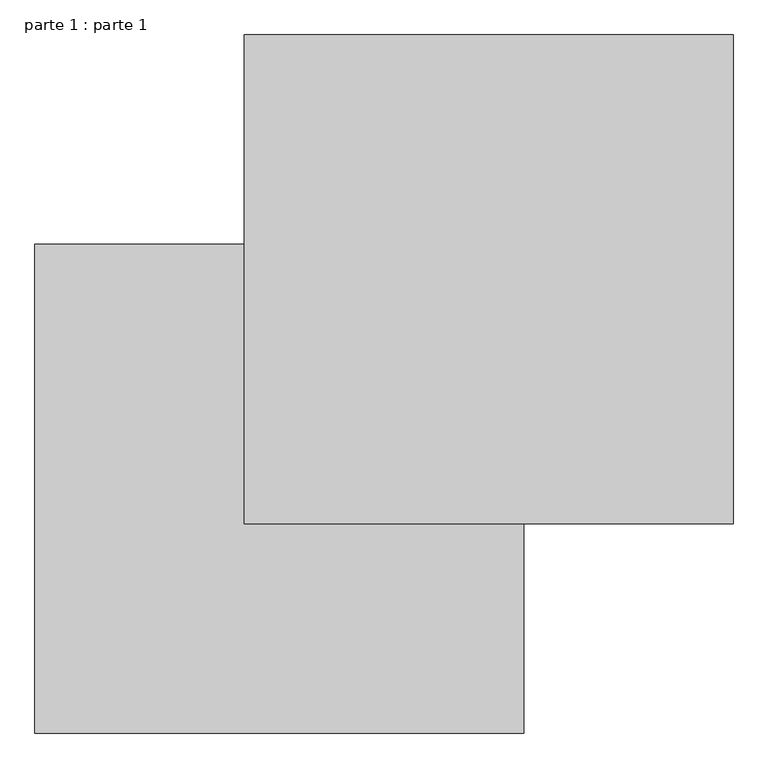
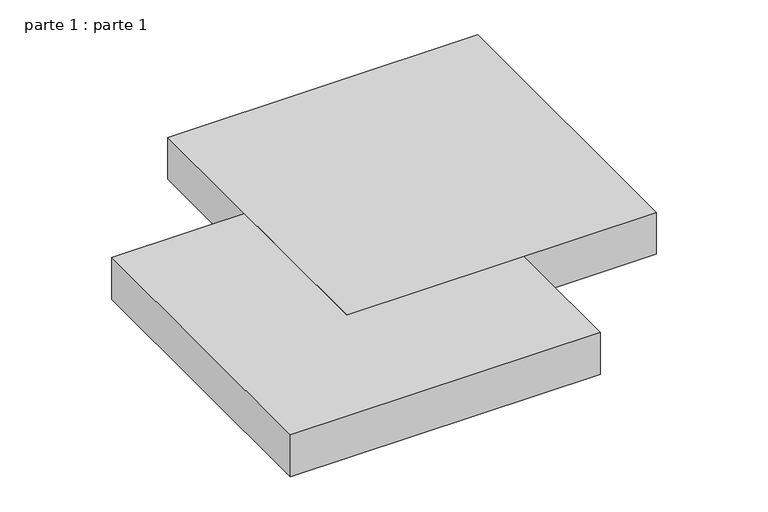
"""IFC4 building model written with IfcOpenShell, lengths in millimetres: proxy geometry, parte 1 : parte 1."""

from ifc_helpers import new_model, si_unit, frame, origin, place, context, project, spatial, polyline, outline, extrude, source, transform, mapped, element, save


def parte_1_parte_1_4486bc78(model_context):
    return source(origin(), model_context, "Body", "SweptSolid", [
        extrude(outline(polyline([(1000.0, 1000.0), (1000.0, 300.0), (300.0, 300.0), (300.0, 1000.0), (1000.0, 1000.0)])), frame((0.0, 0.0, 400.0), z_axis=(0.0, 0.0, 1.0), x_axis=(1.0, 0.0, 0.0)), (0.0, 0.0, 1.0), 100.0),
        extrude(outline(polyline([(700.0, 0.0), (0.0, 0.0), (0.0, 700.0), (700.0, 700.0), (700.0, 0.0)])), frame((0.0, 0.0, 400.0), z_axis=(0.0, 0.0, 1.0), x_axis=(1.0, 0.0, 0.0)), (0.0, 0.0, 1.0), 100.0),
    ])


if __name__ == "__main__":
    model = new_model("IFC4")
    model_context = context("Model", 3, world=origin())
    ifc_project = project(units=[si_unit("LENGTHUNIT", "METRE", prefix="MILLI")], contexts=[model_context])
    site = spatial("IfcSite", under=ifc_project)
    building = spatial("IfcBuilding", under=site)
    placement = place(None, origin())
    parte_1_parte_1_shape = parte_1_parte_1_4486bc78(model_context)
    element("IfcBuildingElementProxy", 1, Name="parte 1 : parte 1", ObjectType="parte 1 : parte 1", at=placement, inside=building, context=model_context, shape_type="MappedRepresentation", body=[
        mapped(parte_1_parte_1_shape, transform((0.0, 0.0, 0.0), x_axis=(1.0, 0.0, 0.0), y_axis=(0.0, 1.0, 0.0), z_axis=(0.0, 0.0, 1.0))),
    ])
    save(model, "model.ifc")
